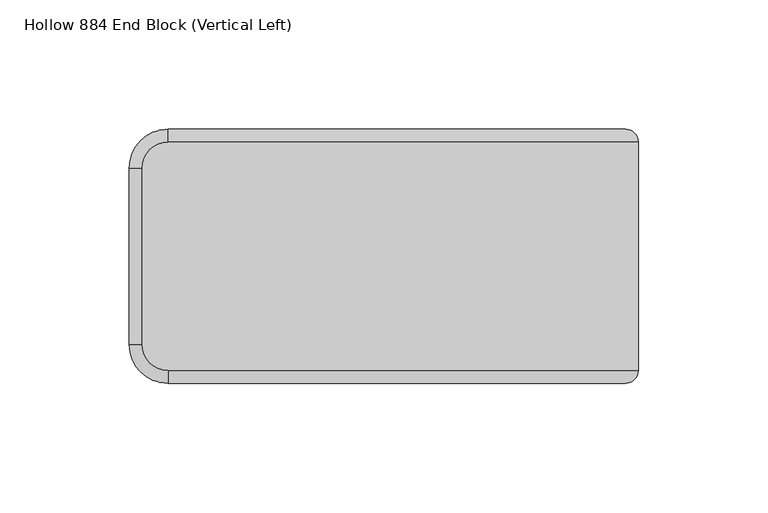
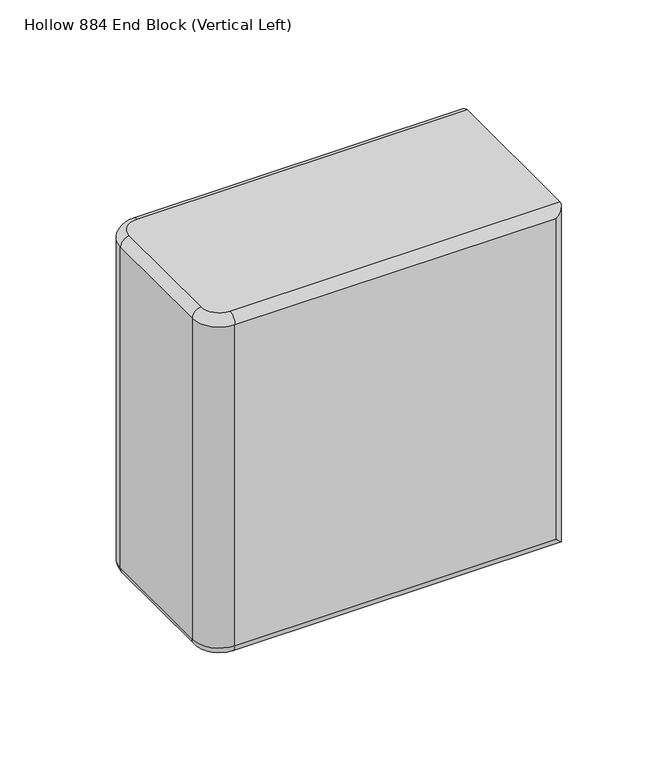
"""IFC4 building model written with IfcOpenShell, lengths in millimetres: plate geometry, Hollow 884 End Block (Vertical Left)."""

from ifc_helpers import new_model, si_unit, point, frame, origin, place, context, project, spatial, circle_curve, ellipse_curve, trimmed, source, transform, mapped, element, save
from ifc_brep_helpers import plane_surface, cylinder_surface, revolved_surface, advanced_brep


def hollow_884_end_block_vertical_left_514ba14a(model_context):
    return source(origin(), model_context, "Body", "AdvancedBrep", [
        advanced_brep(
        [(98.5749998, -44.2, 197.0), (98.5749998, 44.2, 197.0), (-83.4250002, 44.2, 197.0), (-93.4250002, 34.2, 197.0), (-93.4250002, -34.2, 197.0), (-83.4250002, -44.2, 197.0), (98.5749998, 44.2, 0.0), (98.5749998, -44.2, 0.0), (-83.4250002, -44.2, 0.0), (-93.4250002, -34.2, 0.0), (-93.4250002, 34.2, 0.0), (-83.4250002, 44.2, 0.0), (-83.4250002, -49.2, 192.0000045), (-83.4250002, -49.2, 5.0), (93.5749998, -49.2, 5.0), (93.5749998, -49.2, 192.0), (-83.4250002, 49.2, 4.9999955), (-83.4250002, 49.2, 192.0), (93.5749998, 49.2, 192.0), (93.5749998, 49.2, 5.0), (-98.4250002, 34.2, 192.0000045), (-98.4250002, 34.2, 5.0), (-98.4250002, -34.2, 5.0), (-98.4250002, -34.2, 192.0)],
        [
            (0, 1),
            (1, 2),
            (2, 3, circle_curve(frame((-83.4250002, 34.2, 197.0), z_axis=(0.0, 0.0, 1.0), x_axis=(0.0, 1.0, 0.0)), 10.0)),
            (3, 4),
            (4, 5, circle_curve(frame((-83.4250002, -34.2, 197.0), z_axis=(0.0, 0.0, 1.0), x_axis=(-1.0, 0.0, 0.0)), 10.0)),
            (5, 0),
            (6, 7),
            (7, 8),
            (8, 9, circle_curve(frame((-83.4250002, -34.2, 0.0), z_axis=(0.0, 0.0, -1.0), x_axis=(0.0, -1.0, 0.0)), 10.0)),
            (9, 10),
            (10, 11, circle_curve(frame((-83.4250002, 34.2, 0.0), z_axis=(0.0, 0.0, -1.0), x_axis=(-1.0, 0.0, 0.0)), 10.0)),
            (11, 6),
            (12, 13),
            (13, 14),
            (14, 15),
            (15, 12),
            (0, 7),
            (6, 1),
            (16, 17),
            (17, 18),
            (18, 19),
            (19, 16),
            (20, 21),
            (21, 22),
            (22, 23),
            (23, 20),
            (12, 23, circle_curve(frame((-83.4250002, -34.2, 192.0), z_axis=(0.0, 0.0, -1.0), x_axis=(1.0, 0.0, 0.0)), 15.0)),
            (22, 13, circle_curve(frame((-83.4250002, -34.2, 5.0), z_axis=(0.0, 0.0, 1.0), x_axis=(1.0, 0.0, 0.0)), 15.0)),
            (20, 17, circle_curve(frame((-83.4250002, 34.2, 192.0), z_axis=(0.0, 0.0, -1.0), x_axis=(1.0, 0.0, 0.0)), 15.0)),
            (16, 21, circle_curve(frame((-83.4250002, 34.2, 5.0), z_axis=(0.0, 0.0, 1.0), x_axis=(1.0, 0.0, 0.0)), 15.0)),
            (13, 8, circle_curve(frame((-83.4250002, -44.2, 5.0), z_axis=(1.0, 0.0, 0.0), x_axis=(0.0, 0.0, -1.0)), 5.0)),
            (7, 14, ellipse_curve(frame((93.5749998, -44.2, 5.0), z_axis=(-0.7071067811865475, 0.0, -0.7071067811865475), x_axis=(-0.7071067811865476, 0.0, 0.7071067811865474)), 7.0710678, 5.0)),
            (22, 9, circle_curve(frame((-93.4250002, -34.2, 5.0), z_axis=(0.0, -1.0, 0.0), x_axis=(0.0, 0.0, -1.0)), 5.0)),
            (21, 10, circle_curve(frame((-93.4250002, 34.2, 5.0), z_axis=(0.0, -1.0, 0.0), x_axis=(0.0, 0.0, -1.0)), 5.0)),
            (16, 11, circle_curve(frame((-83.4250002, 44.2, 5.0), z_axis=(-1.0, 0.0, 0.0), x_axis=(0.0, 0.0, -1.0)), 5.0)),
            (19, 6, ellipse_curve(frame((93.5749998, 44.2, 5.0), z_axis=(-0.7071067811865475, 0.0, -0.7071067811865475), x_axis=(0.7071067811865476, 0.0, -0.7071067811865474)), 7.0710678, 5.0)),
            (18, 1, ellipse_curve(frame((93.5749998, 44.2, 192.0), z_axis=(0.7071067811865475, 0.0, -0.7071067811865475), x_axis=(0.7071067811865474, 0.0, 0.7071067811865476)), 7.0710678, 5.0)),
            (17, 2, circle_curve(frame((-83.4250002, 44.2, 192.0), z_axis=(1.0, 0.0, 0.0), x_axis=(0.0, 0.0, 1.0)), 5.0)),
            (20, 3, circle_curve(frame((-93.4250002, 34.2, 192.0), z_axis=(0.0, 1.0, 0.0), x_axis=(0.0, 0.0, 1.0)), 5.0)),
            (23, 4, circle_curve(frame((-93.4250002, -34.2, 192.0), z_axis=(0.0, 1.0, 0.0), x_axis=(0.0, 0.0, 1.0)), 5.0)),
            (12, 5, circle_curve(frame((-83.4250002, -44.2, 192.0), z_axis=(-1.0, 0.0, 0.0), x_axis=(0.0, 0.0, 1.0)), 5.0)),
            (15, 0, ellipse_curve(frame((93.5749998, -44.2, 192.0), z_axis=(-0.7071067811865475, 0.0, 0.7071067811865475), x_axis=(0.7071067811865476, 0.0, 0.7071067811865474)), 7.0710678, 5.0)),
        ],
        [
            plane_surface(frame((-68.4250002, -34.2, 197.0), z_axis=(0.0, 0.0, 1.0), x_axis=(0.0, 1.0, 0.0))),
            plane_surface(frame((-68.4250002, -34.2, 0.0), z_axis=(0.0, 0.0, -1.0), x_axis=(0.0, -1.0, 0.0))),
            plane_surface(frame((-83.4250002, -49.2, 197.0), z_axis=(0.0, -1.0, 0.0), x_axis=(0.0, 0.0, -1.0))),
            plane_surface(frame((98.5749998, -49.2, 197.0), z_axis=(1.0, 0.0, 0.0), x_axis=(0.0, 0.0, -1.0))),
            plane_surface(frame((98.5749998, 49.2, 197.0), z_axis=(0.0, 1.0, 0.0), x_axis=(0.0, 0.0, -1.0))),
            plane_surface(frame((-98.4250002, 34.2, 197.0), z_axis=(-1.0, 0.0, 0.0), x_axis=(0.0, 0.0, -1.0))),
            cylinder_surface(frame((-83.4250002, -34.2, 0.0), z_axis=(0.0, 0.0, 1.0), x_axis=(1.0, 0.0, 0.0)), 15.0),
            cylinder_surface(frame((-83.4250002, 34.2, 0.0), z_axis=(0.0, 0.0, 1.0), x_axis=(1.0, 0.0, 0.0)), 15.0),
            cylinder_surface(frame((98.5749998, -44.2, 5.0), z_axis=(-1.0, 0.0, 0.0), x_axis=(0.0, 0.0, -1.0)), 5.0),
            revolved_surface(trimmed(ellipse_curve(frame((-83.4250002, -44.2, 5.0), z_axis=(1.0, 0.0, 0.0), x_axis=(0.0, 0.0, -1.0)), 5.0, 5.0), [point((-83.4250002, -49.2, 5.0))], [point((-83.4250002, -44.2, 0.0))], True, "CARTESIAN"), (-83.4250002, -34.2, 0.0), (0.0, 0.0, -1.0)),
            cylinder_surface(frame((-93.4250002, -34.2, 5.0), z_axis=(0.0, 1.0, 0.0), x_axis=(0.0, 0.0, -1.0)), 5.0),
            revolved_surface(trimmed(ellipse_curve(frame((-93.4250002, 34.2, 5.0), z_axis=(0.0, -1.0, 0.0), x_axis=(0.0, 0.0, -1.0)), 5.0, 5.0), [point((-98.4250002, 34.2, 5.0))], [point((-93.4250002, 34.2, 0.0))], True, "CARTESIAN"), (-83.4250002, 34.2, 0.0), (0.0, 0.0, -1.0)),
            cylinder_surface(frame((-83.4250002, 44.2, 5.0), z_axis=(1.0, 0.0, 0.0), x_axis=(0.0, 0.0, -1.0)), 5.0),
            cylinder_surface(frame((93.5749998, 44.2, 0.0), z_axis=(0.0, 0.0, 1.0), x_axis=(1.0, 0.0, 0.0)), 5.0),
            cylinder_surface(frame((98.5749998, 44.2, 192.0), z_axis=(-1.0, 0.0, 0.0), x_axis=(0.0, 0.0, 1.0)), 5.0),
            revolved_surface(trimmed(ellipse_curve(frame((-83.4250002, 44.2, 192.0), z_axis=(1.0, 0.0, 0.0), x_axis=(0.0, 0.0, 1.0)), 5.0, 5.0), [point((-83.4250002, 49.2, 192.0))], [point((-83.4250002, 44.2, 197.0))], True, "CARTESIAN"), (-83.4250002, 34.2, 197.0), (0.0, 0.0, 1.0)),
            cylinder_surface(frame((-93.4250002, 34.2, 192.0), z_axis=(0.0, -1.0, 0.0), x_axis=(0.0, 0.0, 1.0)), 5.0),
            revolved_surface(trimmed(ellipse_curve(frame((-93.4250002, -34.2, 192.0), z_axis=(0.0, 1.0, 0.0), x_axis=(0.0, 0.0, 1.0)), 5.0, 5.0), [point((-98.4250002, -34.2, 192.0))], [point((-93.4250002, -34.2, 197.0))], True, "CARTESIAN"), (-83.4250002, -34.2, 197.0), (0.0, 0.0, 1.0)),
            cylinder_surface(frame((-83.4250002, -44.2, 192.0), z_axis=(1.0, 0.0, 0.0), x_axis=(0.0, 0.0, 1.0)), 5.0),
            cylinder_surface(frame((93.5749998, -44.2, 197.0), z_axis=(0.0, 0.0, -1.0), x_axis=(1.0, 0.0, 0.0)), 5.0),
        ],
        [
            (0, [[1, 2, 3, 4, 5, 6]]),
            (1, [[7, 8, 9, 10, 11, 12]]),
            (2, [[13, 14, 15, 16]]),
            (3, [[-1, 17, -7, 18]]),
            (4, [[19, 20, 21, 22]]),
            (5, [[23, 24, 25, 26]]),
            (6, [[-13, 27, -25, 28]]),
            (7, [[-23, 29, -19, 30]]),
            (8, [[31, -8, 32, -14]]),
            (9, [[-31, -28, 33, -9]]),
            (10, [[-33, -24, 34, -10]]),
            (11, [[-34, -30, 35, -11]]),
            (12, [[-35, -22, 36, -12]]),
            (13, [[-36, -21, 37, -18]]),
            (14, [[-37, -20, 38, -2]]),
            (15, [[-38, -29, 39, -3]]),
            (16, [[-39, -26, 40, -4]]),
            (17, [[-40, -27, 41, -5]]),
            (18, [[-41, -16, 42, -6]]),
            (19, [[-32, -17, -42, -15]]),
        ],
    ),
    ])


if __name__ == "__main__":
    model = new_model("IFC4")
    model_context = context("Model", 3, world=origin())
    ifc_project = project(units=[si_unit("LENGTHUNIT", "METRE", prefix="MILLI")], contexts=[model_context])
    site = spatial("IfcSite", under=ifc_project)
    building = spatial("IfcBuilding", under=site)
    placement = place(None, origin())
    hollow_884_end_block_vertical_left_shape = hollow_884_end_block_vertical_left_514ba14a(model_context)
    element("IfcPlate", 1, ObjectType="Hollow 884 End Block (Vertical Left)", at=placement, inside=building, context=model_context, shape_type="MappedRepresentation", body=[
        mapped(hollow_884_end_block_vertical_left_shape, transform((0.0, 0.0, 0.0), x_axis=(1.0, 0.0, 0.0), y_axis=(0.0, 1.0, 0.0), z_axis=(0.0, 0.0, 1.0))),
    ])
    save(model, "model.ifc")
